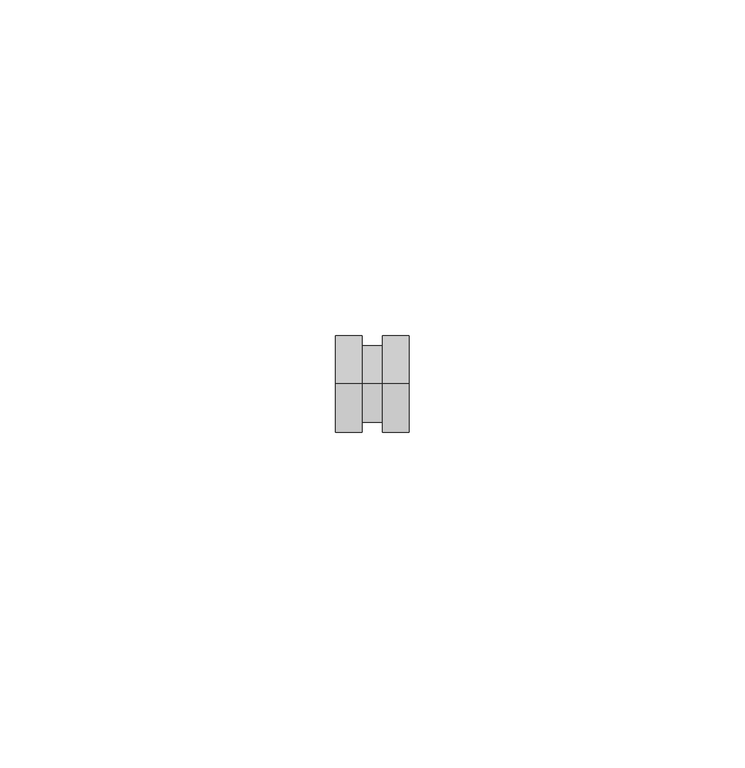
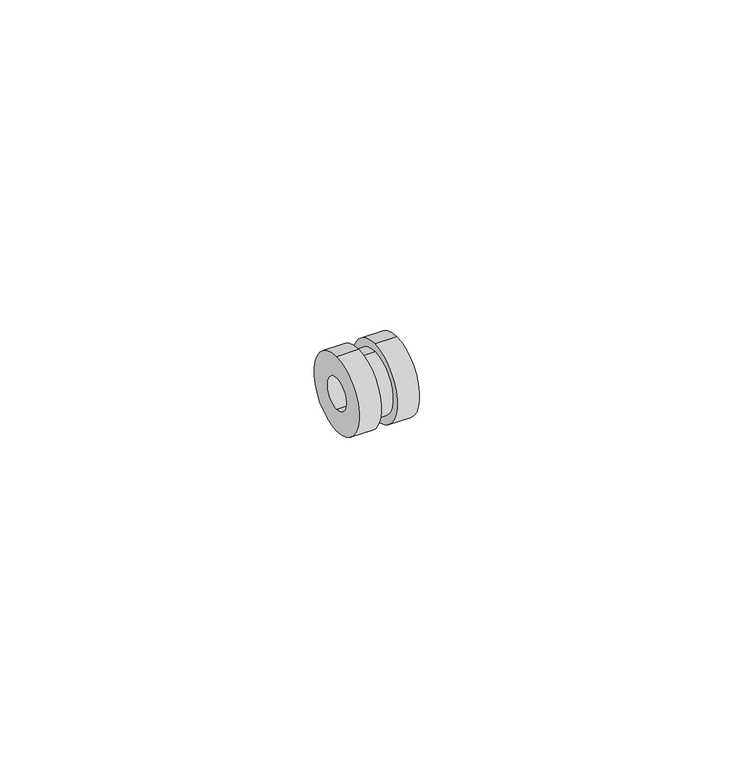
"""IFC4 building model written with IfcOpenShell, lengths in millimetres: proxy geometry."""

import ifcopenshell
import ifcopenshell.guid

model = None  # the IFC model being written
_history = None  # IfcOwnerHistory: only IFC2X3 demands one
_inside = {}  # id of a spatial element -> (the spatial element, [elements in it])
_under = {}  # id of a project, library or spatial element -> (it, [spatial elements below it])
_declared = {}  # id of a project -> (the project, [libraries it declares])
_typed = {}  # id of a type object -> (the type object, [elements of that type])
_made_of = {}  # id of a material, layer set ... -> (it, [elements and type objects made of it])


def new_model(schema):
    """Start an empty IFC model of exactly this schema.

    Asked for "IFC4X3", IfcOpenShell would pick the latest addendum, in which some entities
    have other attributes; the version numbers below select the first issue.
    IFC2X3 requires an IfcOwnerHistory on every rooted entity: one is made here for all.
    """
    global model, _history
    if schema == "IFC4X3":
        model = ifcopenshell.file(schema_version=(4, 3, 0, 0))
    else:
        model = ifcopenshell.file(schema=schema)
    _inside.clear()
    _under.clear()
    _declared.clear()
    _typed.clear()
    _made_of.clear()
    _history = None
    if model.schema == "IFC2X3":
        org = make("IfcOrganization", Name="unknown")
        user = make(
            "IfcPersonAndOrganization",
            ThePerson=make("IfcPerson", FamilyName="unknown"),
            TheOrganization=org,
        )
        app = make(
            "IfcApplication",
            ApplicationDeveloper=org,
            Version="unknown",
            ApplicationFullName="unknown",
            ApplicationIdentifier="unknown",
        )
        _history = make(
            "IfcOwnerHistory",
            OwningUser=user,
            OwningApplication=app,
            ChangeAction="ADDED",
            CreationDate=0,
        )
    return model


def make(cls, **values):
    """One entity of the class cls with the attributes given. An attribute that is None is left unset."""
    return model.create_entity(
        cls, **{name: value for name, value in values.items() if value is not None}
    )


def rooted(cls, **values):
    """An entity with a GlobalId (a new one), such as an element, a storey or a relation."""
    return make(cls, GlobalId=ifcopenshell.guid.new(), OwnerHistory=_history, **values)


def si_unit(unit_type, name, prefix=None):
    """IfcSIUnit, for example si_unit("LENGTHUNIT", "METRE", prefix="MILLI")."""
    return make("IfcSIUnit", UnitType=unit_type, Prefix=prefix, Name=name)


def assignment(units):
    """IfcUnitAssignment: the units of a project."""
    return None if units is None else make("IfcUnitAssignment", Units=units)


def point(xyz):
    """IfcCartesianPoint."""
    return None if xyz is None else make("IfcCartesianPoint", Coordinates=xyz)


def direction(xyz):
    """IfcDirection."""
    return None if xyz is None else make("IfcDirection", DirectionRatios=xyz)


def frame(location, z_axis=None, x_axis=None):
    """IfcAxis2Placement3D, a coordinate frame: its origin and axes. An axis left out is left unset."""
    return make(
        "IfcAxis2Placement3D",
        Location=point(location),
        Axis=direction(z_axis),
        RefDirection=direction(x_axis),
    )


def origin():
    """The frame at (0, 0, 0) with its axes left unset."""
    return frame((0.0, 0.0, 0.0))


def place(relative_to, where):
    """IfcLocalPlacement: puts the frame where relative to a parent placement (None: the world)."""
    return make(
        "IfcLocalPlacement", PlacementRelTo=relative_to, RelativePlacement=where
    )


def context(
    kind, dimensions, precision=None, world=None, true_north=None, identifier=None
):
    """IfcGeometricRepresentationContext, for example the 3D "Model" context."""
    return make(
        "IfcGeometricRepresentationContext",
        ContextIdentifier=identifier,
        ContextType=kind,
        CoordinateSpaceDimension=dimensions,
        Precision=precision,
        WorldCoordinateSystem=world,
        TrueNorth=true_north,
    )


def project(units=None, contexts=None):
    """IfcProject with its units and contexts."""
    return rooted(
        "IfcProject",
        Name="project",
        RepresentationContexts=contexts,
        UnitsInContext=assignment(units),
    )


def spatial(cls, under=None, at=None, **own):
    """A site, building, storey or space (cls), placed at a placement, below another one or the project."""
    s = rooted(cls, ObjectPlacement=at, **own)
    if under is not None:
        _under.setdefault(under.id(), (under, []))[1].append(s)
    return s


def polyline(points):
    """IfcPolyline through the points."""
    return make("IfcPolyline", Points=[point(p) for p in points])


def circle_curve(where, radius):
    """IfcCircle in the frame where."""
    return make("IfcCircle", Position=where, Radius=radius)


def shape(context_of_items, identifier, shape_type, items):
    """IfcShapeRepresentation: the items that make up one representation, for example the "Body"."""
    return make(
        "IfcShapeRepresentation",
        ContextOfItems=context_of_items,
        RepresentationIdentifier=identifier,
        RepresentationType=shape_type,
        Items=items,
    )


def source(mapping_origin, context_of_items, identifier, shape_type, items):
    """IfcRepresentationMap: a shape defined once, which mapped items show again and again."""
    return make(
        "IfcRepresentationMap",
        MappingOrigin=mapping_origin,
        MappedRepresentation=shape(context_of_items, identifier, shape_type, items),
    )


def transform(
    local_origin,
    x_axis=None,
    y_axis=None,
    z_axis=None,
    scale=None,
    scale2=None,
    scale3=None,
    uniform=True,
):
    """IfcCartesianTransformationOperator3D, or its non-uniform kind. x_axis, y_axis, z_axis: its Axis1, 2, 3."""
    if uniform:
        return make(
            "IfcCartesianTransformationOperator3D",
            Axis1=direction(x_axis),
            Axis2=direction(y_axis),
            LocalOrigin=point(local_origin),
            Scale=scale,
            Axis3=direction(z_axis),
        )
    return make(
        "IfcCartesianTransformationOperator3DnonUniform",
        Axis1=direction(x_axis),
        Axis2=direction(y_axis),
        LocalOrigin=point(local_origin),
        Scale=scale,
        Axis3=direction(z_axis),
        Scale2=scale2,
        Scale3=scale3,
    )


def mapped(mapping_source, mapping_target):
    """IfcMappedItem: shows the shape of a source again, moved by a transform."""
    return make(
        "IfcMappedItem", MappingSource=mapping_source, MappingTarget=mapping_target
    )


def made_of(thing, what):
    """Note that an element or type object is made of a material, layer set ...; save() writes the relation."""
    if what is not None:
        _made_of.setdefault(what.id(), (what, []))[1].append(thing)
    return thing


def element(
    cls,
    number,
    at=None,
    inside=None,
    cuts=None,
    type_object=None,
    material=None,
    context=None,
    identifier="Body",
    shape_type=None,
    held_by="IfcProductDefinitionShape",
    body=None,
    shapes=None,
    **own,
):
    """One element of the class cls, such as IfcWall. Its Tag is "e" and its number.

    at: its placement. inside: the storey or other place that contains it. cuts: it is an
    opening in that element (IfcRelVoidsElement). A single representation is given by context,
    identifier, shape_type and body (its items); several are given by shapes. held_by: the class
    of the entity that holds the representations. save() writes the other relations.
    """
    e = rooted(cls, Tag="e%d" % number, ObjectPlacement=at, **own)
    if body is not None:
        shapes = [shape(context, identifier, shape_type, body)]
    if shapes is not None:
        e.Representation = make(held_by, Representations=shapes)
    if inside is not None:
        _inside.setdefault(inside.id(), (inside, []))[1].append(e)
    if cuts is not None:
        rooted(
            "IfcRelVoidsElement", RelatingBuildingElement=cuts, RelatedOpeningElement=e
        )
    if type_object is not None:
        _typed.setdefault(type_object.id(), (type_object, []))[1].append(e)
    return made_of(e, material)


def aggregate(whole, parts):
    """IfcRelAggregates: a whole, such as a stair, and the parts it consists of."""
    return rooted("IfcRelAggregates", RelatingObject=whole, RelatedObjects=parts)


def save(model, path):
    """Write the relations noted so far, then the file.

    IfcRelAggregates (storeys below a building ...), IfcRelContainedInSpatialStructure (elements
    in a storey), IfcRelDefinesByType, IfcRelAssociatesMaterial and IfcRelDeclares: one each for
    every whole, place, type object, material and project.
    """
    for whole, parts in _under.values():
        aggregate(whole, parts)
    for where, things in _inside.values():
        rooted(
            "IfcRelContainedInSpatialStructure",
            RelatedElements=things,
            RelatingStructure=where,
        )
    for kind, things in _typed.values():
        rooted("IfcRelDefinesByType", RelatedObjects=things, RelatingType=kind)
    for what, things in _made_of.values():
        rooted("IfcRelAssociatesMaterial", RelatedObjects=things, RelatingMaterial=what)
    for by, libraries in _declared.values():
        rooted("IfcRelDeclares", RelatingContext=by, RelatedDefinitions=libraries)
    model.write(path)


def plane_surface(at):
    """IfcPlane: the flat surface through the origin of the frame at, square to its z axis."""
    return make("IfcPlane", Position=at)


def cylinder_surface(at, radius):
    """IfcCylindricalSurface: all points at the distance radius from the z axis of the frame at."""
    return make("IfcCylindricalSurface", Position=at, Radius=radius)


def revolved_surface(curve, axis_point, axis_direction):
    """IfcSurfaceOfRevolution: the curve turned about the line through axis_point along axis_direction."""
    return make(
        "IfcSurfaceOfRevolution",
        SweptCurve=make("IfcArbitraryOpenProfileDef", ProfileType="CURVE", Curve=curve),
        AxisPosition=make("IfcAxis1Placement", Location=point(axis_point), Axis=direction(axis_direction)),
    )


def advanced_brep(points, edges, surfaces, faces):
    """IfcAdvancedBrep: a solid bounded by faces that lie on surfaces and meet in shared edges.

    An edge is (start, end): straight between two places in points (the first is 0);
    or (start, end, curve); or (start, end, curve, False) where it runs against its curve.
    A face is (place in surfaces, loops), or (place, loops, False) where it looks against
    its surface's normal. A loop lists edges by number (the first is 1), with a minus sign
    where the edge is run from its end to its start. The first loop is the outer one.
    """
    corners = [point(p) for p in points]
    vertices = [make("IfcVertexPoint", VertexGeometry=c) for c in corners]
    made = []
    for start, end, *more in edges:
        made.append(
            make(
                "IfcEdgeCurve",
                EdgeStart=vertices[start],
                EdgeEnd=vertices[end],
                EdgeGeometry=more[0] if more else make("IfcPolyline", Points=[corners[start], corners[end]]),
                SameSense=more[1] if len(more) > 1 else True,
            )
        )
    hull = []
    for where, loops, *sense in faces:
        bounds = []
        for j, loop in enumerate(loops):
            ring = [make("IfcOrientedEdge", EdgeElement=made[abs(k) - 1], Orientation=k > 0) for k in loop]
            bounds.append(
                make(
                    "IfcFaceOuterBound" if j == 0 else "IfcFaceBound",
                    Bound=make("IfcEdgeLoop", EdgeList=ring),
                    Orientation=True,
                )
            )
        hull.append(make("IfcAdvancedFace", Bounds=bounds, FaceSurface=surfaces[where], SameSense=sense[0] if sense else True))
    return make("IfcAdvancedBrep", Outer=make("IfcClosedShell", CfsFaces=hull))


def generic_models_64de8066(model_context):
    return source(origin(), model_context, "Body", "AdvancedBrep", [
        advanced_brep(
        [(-5.5, 0.0, -3.0), (5.5, 0.0, -3.0), (5.5, 0.0, 3.0), (-5.5, 0.0, 3.0), (1.5, 0.0, -7.25), (5.5, 0.0, -7.25), (5.5, 0.0, 7.25), (1.5, 0.0, 7.25), (-1.5, 0.0, -5.75), (1.5, 0.0, -5.75), (1.5, 0.0, 5.75), (-1.5, 0.0, 5.75), (-5.5, 0.0, -7.25), (-1.5, 0.0, -7.25), (-1.5, 0.0, 7.25), (-5.5, 0.0, 7.25)],
        [
            (0, 1),
            (1, 2, circle_curve(frame((5.5, 0.0, 0.0), z_axis=(1.0, 0.0, 0.0), x_axis=(0.0, 0.0, -1.0)), 3.0)),
            (2, 3),
            (3, 0, circle_curve(frame((-5.5, 0.0, 0.0), z_axis=(-1.0, 0.0, 0.0), x_axis=(0.0, 0.0, -1.0)), 3.0)),
            (4, 5),
            (5, 6, circle_curve(frame((5.5, 0.0, 0.0), z_axis=(-1.0, 0.0, 0.0), x_axis=(0.0, 0.0, -1.0)), 7.25)),
            (6, 7),
            (7, 4, circle_curve(frame((1.5, 0.0, 0.0), z_axis=(1.0, 0.0, 0.0), x_axis=(0.0, 0.0, -1.0)), 7.25)),
            (8, 9),
            (9, 10, circle_curve(frame((1.5, 0.0, 0.0), z_axis=(-1.0, 0.0, 0.0), x_axis=(0.0, 0.0, -1.0)), 5.75)),
            (10, 11),
            (11, 8, circle_curve(frame((-1.5, 0.0, 0.0), z_axis=(1.0, 0.0, 0.0), x_axis=(0.0, 0.0, -1.0)), 5.75)),
            (12, 13),
            (13, 14, circle_curve(frame((-1.5, 0.0, 0.0), z_axis=(-1.0, 0.0, 0.0), x_axis=(0.0, 0.0, -1.0)), 7.25)),
            (14, 15),
            (15, 12, circle_curve(frame((-5.5, 0.0, 0.0), z_axis=(1.0, 0.0, 0.0), x_axis=(0.0, 0.0, -1.0)), 7.25)),
            (12, 15, circle_curve(frame((-5.5, 0.0, 0.0), z_axis=(1.0, 0.0, 0.0), x_axis=(0.0, 0.0, -1.0)), 7.25)),
            (14, 13, circle_curve(frame((-1.5, 0.0, 0.0), z_axis=(-1.0, 0.0, 0.0), x_axis=(0.0, 0.0, -1.0)), 7.25)),
            (11, 8, circle_curve(frame((-1.5, 0.0, 0.0), z_axis=(-1.0, 0.0, 0.0), x_axis=(0.0, 0.0, -1.0)), 5.75)),
            (10, 9, circle_curve(frame((1.5, 0.0, 0.0), z_axis=(-1.0, 0.0, 0.0), x_axis=(0.0, 0.0, -1.0)), 5.75)),
            (7, 4, circle_curve(frame((1.5, 0.0, 0.0), z_axis=(-1.0, 0.0, 0.0), x_axis=(0.0, 0.0, -1.0)), 7.25)),
            (6, 5, circle_curve(frame((5.5, 0.0, 0.0), z_axis=(-1.0, 0.0, 0.0), x_axis=(0.0, 0.0, -1.0)), 7.25)),
            (1, 2, circle_curve(frame((5.5, 0.0, 0.0), z_axis=(-1.0, 0.0, 0.0), x_axis=(0.0, 0.0, -1.0)), 3.0)),
            (0, 3, circle_curve(frame((-5.5, 0.0, 0.0), z_axis=(-1.0, 0.0, 0.0), x_axis=(0.0, 0.0, -1.0)), 3.0)),
        ],
        [
            revolved_surface(polyline([(5.5, 0.0, -3.0), (-5.5, 0.0, -3.0)]), (0.0, 0.0, 0.0), (1.0, 0.0, 0.0)),
            cylinder_surface(frame((3.5, 0.0, 0.0), z_axis=(1.0, 0.0, 0.0), x_axis=(0.0, 0.0, -1.0)), 7.25),
            cylinder_surface(frame((0.0, 0.0, 0.0), z_axis=(1.0, 0.0, 0.0), x_axis=(0.0, 0.0, -1.0)), 5.75),
            cylinder_surface(frame((-3.5, 0.0, 0.0), z_axis=(1.0, 0.0, 0.0), x_axis=(0.0, 0.0, -1.0)), 7.25),
            plane_surface(frame((-1.5, 0.0, -5.75), z_axis=(1.0, 0.0, 0.0), x_axis=(0.0, 0.0, -1.0))),
            plane_surface(frame((1.5, 0.0, -7.25), z_axis=(-1.0, 0.0, 0.0), x_axis=(0.0, 0.0, 1.0))),
            plane_surface(frame((5.5, 0.0, -3.0), z_axis=(1.0, 0.0, 0.0), x_axis=(0.0, 0.0, -1.0))),
            plane_surface(frame((-5.5, 0.0, -7.25), z_axis=(-1.0, 0.0, 0.0), x_axis=(0.0, 0.0, 1.0))),
        ],
        [
            (0, [[1, 2, 3, 4]]),
            (1, [[5, 6, 7, 8]]),
            (2, [[9, 10, 11, 12]]),
            (3, [[13, 14, 15, 16]]),
            (3, [[-13, 17, -15, 18]]),
            (4, [[-18, -14], [19, -12]]),
            (2, [[-9, -19, -11, 20]]),
            (5, [[21, -8], [-20, -10]]),
            (1, [[-5, -21, -7, 22]]),
            (6, [[-22, -6], [-2, 23]]),
            (0, [[-1, 24, -3, -23]]),
            (7, [[-17, -16], [-4, -24]]),
        ],
    ),
    ])


if __name__ == "__main__":
    model = new_model("IFC4")
    model_context = context("Model", 3, world=origin())
    ifc_project = project(units=[si_unit("LENGTHUNIT", "METRE", prefix="MILLI")], contexts=[model_context])
    site = spatial("IfcSite", under=ifc_project)
    building = spatial("IfcBuilding", under=site)
    placement = place(None, origin())
    generic_models_shape = generic_models_64de8066(model_context)
    element("IfcBuildingElementProxy", 1, Name="Generic Models", at=placement, inside=building, context=model_context, shape_type="MappedRepresentation", body=[
        mapped(generic_models_shape, transform((0.0, 0.0, 0.0), x_axis=(1.0, 0.0, 0.0), y_axis=(0.0, 1.0, 0.0), z_axis=(0.0, 0.0, 1.0))),
    ])
    save(model, "model.ifc")
